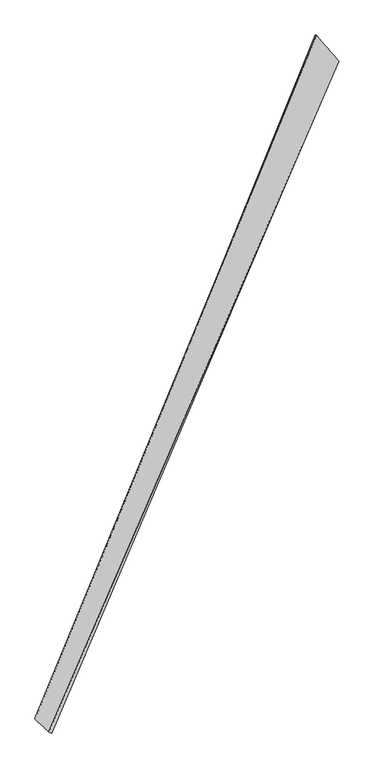
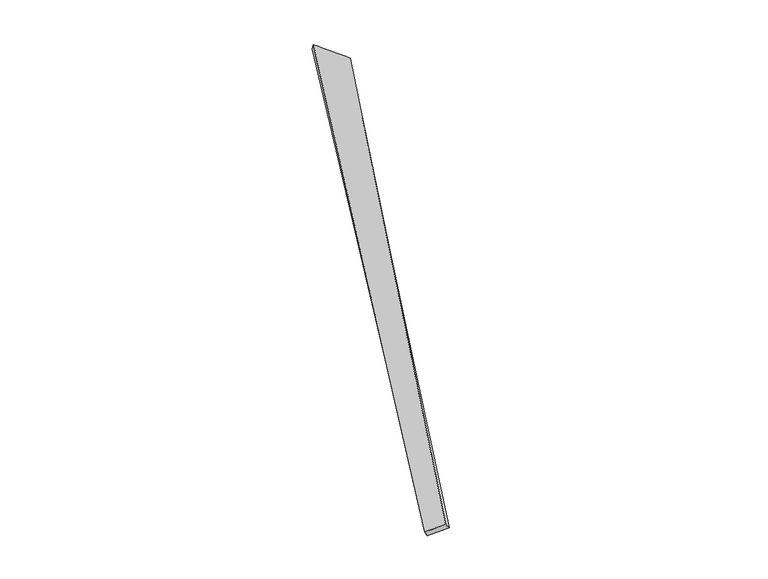
"""IFC4 building model written with IfcOpenShell, lengths in millimetres: proxy geometry."""

from ifc_helpers import new_model, si_unit, origin, place, context, project, spatial, source, transform, mapped, element, save
from ifc_brep_helpers import spline_surface, advanced_brep


def generic_models_6e5fdebc(model_context):
    return source(origin(), model_context, "Body", "AdvancedBrep", [
        advanced_brep(
        [(-749.0750572, -1897.6568117, 33.7082663), (-732.1769719, -1905.2887548, 10.1242006), (1004.0262623, 2161.5743408, -48.9994616), (1009.165666, 2159.7340693, -19.5003102), (-820.5147202, -1824.2645235, -60.3779668), (866.9236664, 2320.2239584, -9.8287726), (-833.1416024, -1819.3995912, -33.6030852), (873.0509936, 2317.3223336, 19.3951292)],
        [
            (0, 1),
            (1, 2),
            (2, 3),
            (3, 0),
            (1, 4),
            (4, 5),
            (5, 2),
            (4, 6),
            (6, 7),
            (7, 5),
            (6, 0),
            (3, 7),
        ],
        [
            spline_surface(1, 1, [[(-749.0750572, -1897.6568117, 33.7082663), (1009.165666, 2159.7340693, -19.5003102)], [(-732.1769719, -1905.2887548, 10.1242006), (1004.0262623, 2161.5743408, -48.9994616)]], [2, 2], [2, 2], [0.0, 1.0], [0.0, 1.0]),
            spline_surface(1, 1, [[(-732.1769719, -1905.2887548, 10.1242006), (1004.0262623, 2161.5743408, -48.9994616)], [(-820.5147202, -1824.2645235, -60.3779668), (866.9236664, 2320.2239584, -9.8287726)]], [2, 2], [2, 2], [0.0, 1.0], [0.0, 1.0]),
            spline_surface(1, 1, [[(-820.5147202, -1824.2645235, -60.3779668), (866.9236664, 2320.2239584, -9.8287726)], [(-833.1416024, -1819.3995912, -33.6030852), (873.0509936, 2317.3223336, 19.3951292)]], [2, 2], [2, 2], [0.0, 1.0], [0.0, 1.0]),
            spline_surface(1, 1, [[(-833.1416024, -1819.3995912, -33.6030852), (873.0509936, 2317.3223336, 19.3951292)], [(-749.0750572, -1897.6568117, 33.7082663), (1009.165666, 2159.7340693, -19.5003102)]], [2, 2], [2, 2], [0.0, 1.0], [0.0, 1.0]),
            spline_surface(1, 1, [[(1004.0262623, 2161.5743408, -48.9994616), (1009.165666, 2159.7340693, -19.5003102)], [(866.9236664, 2320.2239584, -9.8287726), (873.0509936, 2317.3223336, 19.3951292)]], [2, 2], [2, 2], [0.0, 1.0], [0.0, 1.0]),
            spline_surface(1, 1, [[(-833.1416024, -1819.3995912, -33.6030852), (-749.0750572, -1897.6568117, 33.7082663)], [(-820.5147202, -1824.2645235, -60.3779668), (-732.1769719, -1905.2887548, 10.1242006)]], [2, 2], [2, 2], [0.0, 1.0], [0.0, 1.0]),
        ],
        [
            (0, [[1, 2, 3, 4]]),
            (1, [[5, 6, 7, -2]]),
            (2, [[8, 9, 10, -6]]),
            (3, [[11, -4, 12, -9]]),
            (4, [[-3, -7, -10, -12]]),
            (5, [[-11, -8, -5, -1]]),
        ],
    ),
    ])


if __name__ == "__main__":
    model = new_model("IFC4")
    model_context = context("Model", 3, world=origin())
    ifc_project = project(units=[si_unit("LENGTHUNIT", "METRE", prefix="MILLI")], contexts=[model_context])
    site = spatial("IfcSite", under=ifc_project)
    building = spatial("IfcBuilding", under=site)
    placement = place(None, origin())
    generic_models_shape = generic_models_6e5fdebc(model_context)
    element("IfcBuildingElementProxy", 1, Name="Generic Models", at=placement, inside=building, context=model_context, shape_type="MappedRepresentation", body=[
        mapped(generic_models_shape, transform((0.0, 0.0, 0.0), x_axis=(1.0, 0.0, 0.0), y_axis=(0.0, 1.0, 0.0), z_axis=(0.0, 0.0, 1.0))),
    ])
    save(model, "model.ifc")
